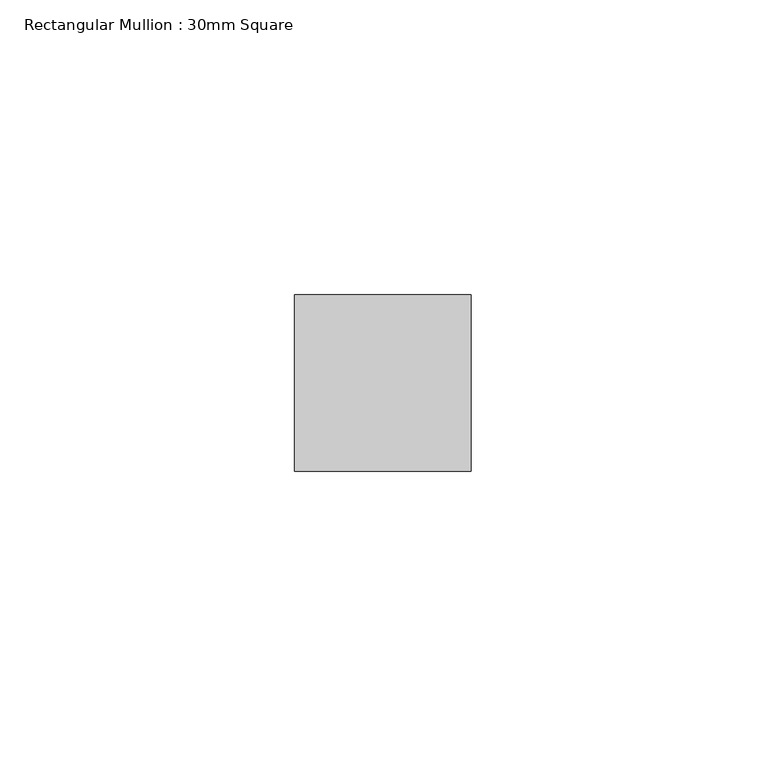
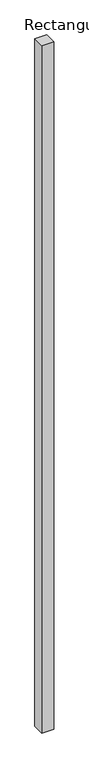
"""IFC4 building model written with IfcOpenShell, lengths in millimetres: member geometry, Rectangular Mullion : 30mm Square."""

from ifc_helpers import new_model, si_unit, frame, origin, place, context, project, spatial, polyline, outline, extrude, source, transform, mapped, element, save


def rectangular_mullion_30mm_square_58b4c971(model_context):
    return source(origin(), model_context, "Body", "SweptSolid", [
        extrude(outline(polyline([(15.0, 15.0), (15.0, -15.0), (-15.0, -15.0), (-15.0, 15.0), (15.0, 15.0)])), frame((0.0, 0.0, -1832.2157213), z_axis=(0.0, 0.0, 1.0), x_axis=(1.0, 0.0, 0.0)), (0.0, 0.0, 1.0), 1832.2157213),
    ])


if __name__ == "__main__":
    model = new_model("IFC4")
    model_context = context("Model", 3, world=origin())
    ifc_project = project(units=[si_unit("LENGTHUNIT", "METRE", prefix="MILLI")], contexts=[model_context])
    site = spatial("IfcSite", under=ifc_project)
    building = spatial("IfcBuilding", under=site)
    placement = place(None, origin())
    rectangular_mullion_30mm_square_shape = rectangular_mullion_30mm_square_58b4c971(model_context)
    element("IfcMember", 1, ObjectType="Rectangular Mullion : 30mm Square", at=placement, inside=building, context=model_context, shape_type="MappedRepresentation", body=[
        mapped(rectangular_mullion_30mm_square_shape, transform((0.0, 0.0, 0.0), x_axis=(1.0, 0.0, 0.0), y_axis=(0.0, 1.0, 0.0), z_axis=(0.0, 0.0, 1.0))),
    ])
    save(model, "model.ifc")
